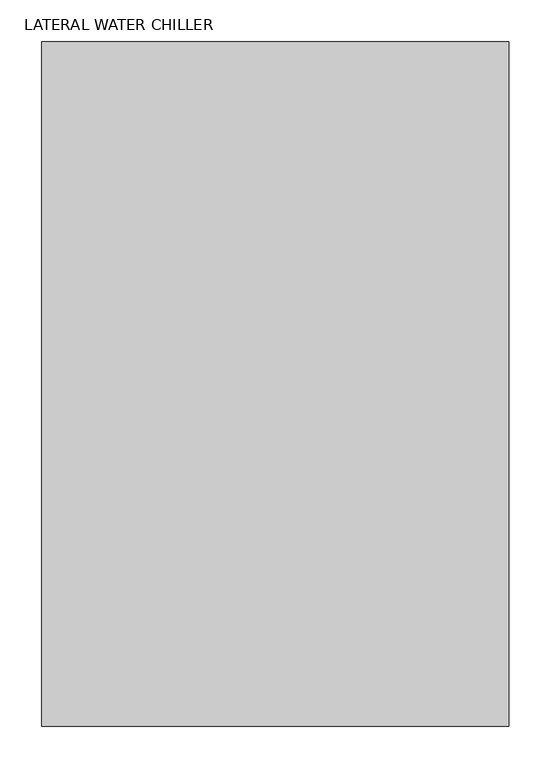
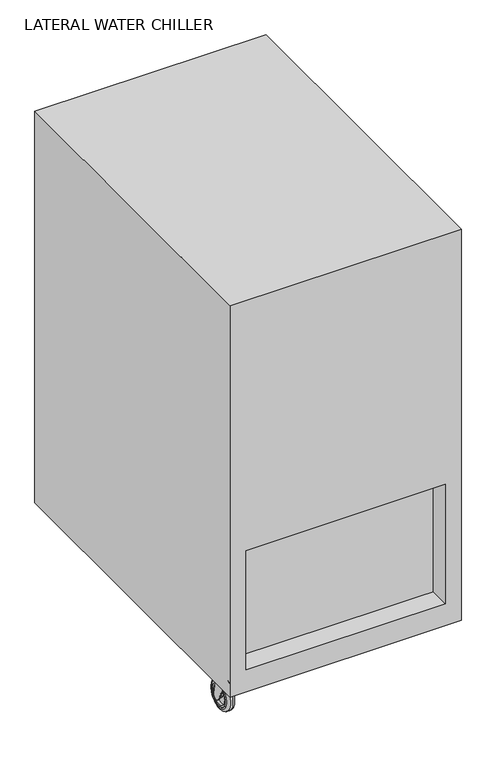
"""IFC4 building model written with IfcOpenShell, lengths in millimetres: proxy geometry, LATERAL WATER CHILLER."""

from ifc_helpers import new_model, si_unit, point, frame, frame_2d, origin, place, context, project, spatial, polyline, circle_curve, ellipse_curve, trimmed, segment, composite_curve, outline, extrude, faceted_brep, source, transform, mapped, element, save
from ifc_brep_helpers import plane_surface, cylinder_surface, revolved_surface, advanced_brep


def lateral_water_chiller_2adea7e7(model_context):
    return source(origin(), model_context, "Body", "SolidModel", [
        advanced_brep(
        [(263.525, -314.3440707, 40.1410714), (263.525, -323.6478147, 82.55), (263.525, -323.6478147, 85.725), (263.525, -355.3978147, 85.725), (263.525, -355.3978147, 82.55), (263.525, -332.2452548, 34.0000428), (260.35, -314.3440707, 40.1410714), (260.35, -332.2452548, 34.0000428), (260.35, -355.3978147, 82.55), (260.35, -323.6478147, 82.55), (260.35, -329.9978147, 38.1), (260.35, -317.2978147, 38.1), (234.95, -317.2978147, 38.1), (234.95, -329.9978147, 38.1), (231.775, -314.3440707, 40.1410714), (231.775, -332.2452548, 34.0000428), (231.775, -355.3978147, 82.55), (231.775, -355.3978147, 85.725), (231.775, -323.6478147, 85.725), (231.775, -323.6478147, 82.55), (234.95, -314.3440707, 40.1410714), (234.95, -323.6478147, 82.55), (234.95, -355.3978147, 82.55), (234.95, -332.2452548, 34.0000428)],
        [
            (0, 1),
            (1, 2),
            (2, 3),
            (3, 4),
            (4, 5),
            (5, 0, circle_curve(frame((263.525, -323.6478147, 38.1), z_axis=(1.0, -3.5037528434145307e-12, 0.0), x_axis=(-3.5037528434145307e-12, -1.0, 0.0)), 9.525)),
            (6, 7, circle_curve(frame((260.35, -323.6478147, 38.1), z_axis=(-1.0, 3.5037528434145307e-12, 0.0), x_axis=(-3.5037528434145307e-12, -1.0, 0.0)), 9.525)),
            (7, 8),
            (8, 9),
            (9, 6),
            (10, 11, circle_curve(frame((260.35, -323.6478147, 38.1), z_axis=(1.0, -3.5037528434145307e-12, 0.0), x_axis=(-3.5037528434145307e-12, -1.0, 0.0)), 6.35)),
            (11, 10, circle_curve(frame((260.35, -323.6478147, 38.1), z_axis=(1.0, -3.5037528434145307e-12, 0.0), x_axis=(-3.5037528434145307e-12, -1.0, 0.0)), 6.35)),
            (0, 6),
            (9, 1),
            (4, 8),
            (7, 5),
            (12, 11),
            (10, 13),
            (13, 12, circle_curve(frame((234.95, -323.6478147, 38.1), z_axis=(1.0, -3.5037528434145307e-12, 0.0), x_axis=(-3.5037528434145307e-12, -1.0, 0.0)), 6.35)),
            (12, 13, circle_curve(frame((234.95, -323.6478147, 38.1), z_axis=(1.0, -3.5037528434145307e-12, 0.0), x_axis=(-3.5037528434145307e-12, -1.0, 0.0)), 6.35)),
            (14, 15, circle_curve(frame((231.775, -323.6478147, 38.1), z_axis=(-1.0, 3.5037528434145307e-12, 0.0), x_axis=(-3.5037528434145307e-12, -1.0, 0.0)), 9.525)),
            (15, 16),
            (16, 17),
            (17, 18),
            (18, 19),
            (19, 14),
            (20, 21),
            (21, 22),
            (22, 23),
            (23, 20, circle_curve(frame((234.95, -323.6478147, 38.1), z_axis=(1.0, -3.5037528434145307e-12, 0.0), x_axis=(-3.5037528434145307e-12, -1.0, 0.0)), 9.525)),
            (14, 20),
            (23, 15),
            (22, 16),
            (19, 21),
            (2, 18),
            (17, 3),
            (21, 9),
            (8, 22),
        ],
        [
            plane_surface(frame((263.525, -323.6478147, 82.55), z_axis=(1.0, -3.5037528434145307e-12, 0.0), x_axis=(0.0, -0.21428571428571286, 0.9767710236555248))),
            plane_surface(frame((260.35, -323.6478147, 82.55), z_axis=(-1.0, 3.5037528434145307e-12, 0.0), x_axis=(0.0, 0.21428571428571286, -0.9767710236555248))),
            plane_surface(frame((263.525, -314.3440707, 40.1410714), z_axis=(3.422472694865991e-12, 0.9767710236555248, 0.21428571428571286), x_axis=(-1.0, 3.5038638657169924e-12, 0.0))),
            plane_surface(frame((263.525, -355.3978147, 82.55), z_axis=(-3.1626519305389665e-12, -0.9026183812343395, -0.4304417008816649), x_axis=(-1.0, 3.5038638657169924e-12, 0.0))),
            cylinder_surface(frame((260.35, -323.6478147, 38.1), z_axis=(1.0, -3.5037528434145307e-12, 0.0), x_axis=(-3.5037528434145307e-12, -1.0, 0.0)), 9.525),
            cylinder_surface(frame((260.35, -323.6478147, 38.1), z_axis=(-1.0, 3.5037528434145307e-12, 0.0), x_axis=(-3.5037528434145307e-12, -1.0, 0.0)), 6.35),
            plane_surface(frame((231.775, -333.1728147, 38.1), z_axis=(-1.0, 3.5037528434145307e-12, 0.0), x_axis=(0.0, 0.0, 1.0))),
            plane_surface(frame((234.95, -333.1728147, 38.1), z_axis=(1.0, -3.5037528434145307e-12, 0.0), x_axis=(0.0, 0.0, -1.0))),
            cylinder_surface(frame((234.95, -323.6478147, 38.1), z_axis=(-1.0, 3.5037528434145307e-12, 0.0), x_axis=(-3.5037528434145307e-12, -1.0, 0.0)), 9.525),
            plane_surface(frame((231.775, -332.2452548, 34.0000428), z_axis=(-3.1626519305389665e-12, -0.9026183812343395, -0.4304417008816649), x_axis=(1.0, -3.5038638657169924e-12, 0.0))),
            plane_surface(frame((231.775, -323.6478147, 82.55), z_axis=(3.422472694865991e-12, 0.9767710236555248, 0.21428571428571286), x_axis=(1.0, -3.5038638657169924e-12, 0.0))),
            plane_surface(frame((263.525, -323.6478147, 85.725), z_axis=(0.0, 0.0, 1.0), x_axis=(3.5037306389540393e-12, 1.0, 0.0))),
            plane_surface(frame((263.525, -323.6478147, 82.55), z_axis=(0.0, 0.0, -1.0), x_axis=(-3.5037306389540393e-12, -1.0, 0.0))),
            plane_surface(frame((263.525, -323.6478147, 85.725), z_axis=(3.5037972523354404e-12, 1.0, 0.0), x_axis=(0.0, 0.0, -1.0))),
            plane_surface(frame((231.775, -355.3978147, 85.725), z_axis=(-3.5037306389539626e-12, -1.0, 0.0), x_axis=(0.0, 0.0, -1.0))),
        ],
        [
            (0, [[1, 2, 3, 4, 5, 6]]),
            (1, [[7, 8, 9, 10], [11, 12]]),
            (2, [[-1, 13, -10, 14]]),
            (3, [[-5, 15, -8, 16]]),
            (4, [[-6, -16, -7, -13]]),
            (5, [[17, -11, 18, 19]]),
            (5, [[-17, 20, -18, -12]]),
            (6, [[21, 22, 23, 24, 25, 26]]),
            (7, [[27, 28, 29, 30], [-19, -20]]),
            (8, [[-21, 31, -30, 32]]),
            (9, [[-22, -32, -29, 33]]),
            (10, [[-26, 34, -27, -31]]),
            (11, [[-3, 35, -24, 36]]),
            (12, [[37, -9, 38, -28]]),
            (13, [[-35, -2, -14, -37, -34, -25]]),
            (14, [[-36, -23, -33, -38, -15, -4]]),
        ],
    ),
        extrude(outline(composite_curve([segment(trimmed(circle_curve(frame_2d((247.65, -339.5228147)), 15.875), [point((247.65, -323.6478147))], [point((247.65, -355.3978147))], False, "CARTESIAN"), True, "CONTINUOUS"), segment(trimmed(circle_curve(frame_2d((247.65, -339.5228147)), 15.875), [point((247.65, -355.3978147))], [point((247.65, -323.6478147))], False, "CARTESIAN"), True, "CONTINUOUS")], self_intersect=False)), frame((0.0, 0.0, 85.725), z_axis=(0.0, 0.0, 1.0), x_axis=(1.0, 0.0, 0.0)), (0.0, 0.0, 1.0), 6.35),
        advanced_brep(
        [(-238.125, -323.6478147, 6.35), (-244.475, -323.6478147, 0.0), (-244.475, -323.6478147, 76.2), (-238.125, -323.6478147, 69.85), (-238.125, -323.6478147, 10.16), (-238.125, -323.6478147, 66.04), (-257.175, -323.6478147, 10.16), (-257.175, -323.6478147, 66.04), (-257.175, -323.6478147, 6.35), (-257.175, -323.6478147, 69.85), (-250.825, -323.6478147, 0.0), (-250.825, -323.6478147, 76.2)],
        [
            (0, 1, circle_curve(frame((-244.475, -323.6478147, 6.35), z_axis=(0.0, 1.0, 0.0), x_axis=(-1.0, 0.0, 0.0)), 6.35)),
            (1, 2, circle_curve(frame((-244.475, -323.6478147, 38.1), z_axis=(1.0, 0.0, 0.0), x_axis=(0.0, 0.0, 1.0)), 38.1)),
            (2, 3, circle_curve(frame((-244.475, -323.6478147, 69.85), z_axis=(0.0, 1.0, 0.0), x_axis=(-1.0, 0.0, 0.0)), 6.35)),
            (3, 0, circle_curve(frame((-238.125, -323.6478147, 38.1), z_axis=(-1.0, 0.0, 0.0), x_axis=(0.0, 0.0, 1.0)), 31.75)),
            (2, 1, circle_curve(frame((-244.475, -323.6478147, 38.1), z_axis=(1.0, 0.0, 0.0), x_axis=(0.0, 0.0, 1.0)), 38.1)),
            (0, 3, circle_curve(frame((-238.125, -323.6478147, 38.1), z_axis=(-1.0, 0.0, 0.0), x_axis=(0.0, 0.0, 1.0)), 31.75)),
            (4, 0),
            (3, 5),
            (5, 4, circle_curve(frame((-238.125, -323.6478147, 38.1), z_axis=(-1.0, 0.0, 0.0), x_axis=(0.0, 0.0, 1.0)), 27.94)),
            (4, 5, circle_curve(frame((-238.125, -323.6478147, 38.1), z_axis=(-1.0, 0.0, 0.0), x_axis=(0.0, 0.0, 1.0)), 27.94)),
            (6, 4),
            (5, 7),
            (7, 6, circle_curve(frame((-257.175, -323.6478147, 38.1), z_axis=(-1.0, 0.0, 0.0), x_axis=(0.0, 0.0, 1.0)), 27.94)),
            (6, 7, circle_curve(frame((-257.175, -323.6478147, 38.1), z_axis=(-1.0, 0.0, 0.0), x_axis=(0.0, 0.0, 1.0)), 27.94)),
            (8, 6),
            (7, 9),
            (9, 8, circle_curve(frame((-257.175, -323.6478147, 38.1), z_axis=(-1.0, 0.0, 0.0), x_axis=(0.0, 0.0, 1.0)), 31.75)),
            (8, 9, circle_curve(frame((-257.175, -323.6478147, 38.1), z_axis=(-1.0, 0.0, 0.0), x_axis=(0.0, 0.0, 1.0)), 31.75)),
            (10, 8, circle_curve(frame((-250.825, -323.6478147, 6.35), z_axis=(0.0, 1.0, 0.0), x_axis=(-1.0, 0.0, 0.0)), 6.35)),
            (9, 11, circle_curve(frame((-250.825, -323.6478147, 69.85), z_axis=(0.0, 1.0, 0.0), x_axis=(-1.0, 0.0, 0.0)), 6.35)),
            (11, 10, circle_curve(frame((-250.825, -323.6478147, 38.1), z_axis=(-1.0, 0.0, 0.0), x_axis=(0.0, 0.0, 1.0)), 38.1)),
            (10, 11, circle_curve(frame((-250.825, -323.6478147, 38.1), z_axis=(-1.0, 0.0, 0.0), x_axis=(0.0, 0.0, 1.0)), 38.1)),
            (1, 10),
            (11, 2),
        ],
        [
            revolved_surface(trimmed(ellipse_curve(frame((-244.475, -323.6478147, 69.85), z_axis=(0.0, 1.0, 0.0), x_axis=(-1.0, 0.0, 0.0)), 6.35, 6.35), [point((-244.475, -323.6478147, 76.2))], [point((-238.125, -323.6478147, 69.85))], True, "CARTESIAN"), (-225.425, -323.6478147, 38.1), (1.0, 0.0, 0.0)),
            plane_surface(frame((-238.125, -323.6478147, 38.1), z_axis=(1.0, 0.0, 0.0), x_axis=(0.0, 0.0, 1.0))),
            revolved_surface(polyline([(-238.125, -323.6478147, 66.04), (-257.175, -323.6478147, 66.04)]), (-225.425, -323.6478147, 38.1), (1.0, 0.0, 0.0)),
            plane_surface(frame((-257.175, -323.6478147, 38.1), z_axis=(-1.0, 0.0, 0.0), x_axis=(0.0, 0.0, 1.0))),
            revolved_surface(trimmed(ellipse_curve(frame((-250.825, -323.6478147, 69.85), z_axis=(0.0, 1.0, 0.0), x_axis=(-1.0, 0.0, 0.0)), 6.35, 6.35), [point((-257.175, -323.6478147, 69.85))], [point((-250.825, -323.6478147, 76.2))], True, "CARTESIAN"), (-225.425, -323.6478147, 38.1), (1.0, 0.0, 0.0)),
            cylinder_surface(frame((-225.425, -323.6478147, 38.1), z_axis=(1.0, 0.0, 0.0), x_axis=(0.0, 0.0, 1.0)), 38.1),
        ],
        [
            (0, [[1, 2, 3, 4]]),
            (0, [[-3, 5, -1, 6]]),
            (1, [[7, -4, 8, 9]]),
            (1, [[-8, -6, -7, 10]]),
            (2, [[11, -9, 12, 13]]),
            (2, [[-12, -10, -11, 14]]),
            (3, [[15, -13, 16, 17]]),
            (3, [[-16, -14, -15, 18]]),
            (4, [[19, -17, 20, 21]]),
            (4, [[-20, -18, -19, 22]]),
            (5, [[23, -21, 24, -2]]),
            (5, [[-24, -22, -23, -5]]),
        ],
    ),
        advanced_brep(
        [(-238.125, -295.7078147, 38.1), (-238.125, -351.5878147, 38.1), (-238.125, -300.7878147, 38.1), (-238.125, -346.5078147, 38.1), (-238.125, -317.2978147, 38.1), (-238.125, -329.9978147, 38.1), (-244.475, -351.5878147, 38.1), (-244.475, -295.7078147, 38.1), (-244.475, -329.9978147, 38.1), (-244.475, -317.2978147, 38.1), (-244.475, -346.5078147, 38.1), (-244.475, -300.7878147, 38.1), (-250.825, -346.5078147, 38.1), (-250.825, -300.7878147, 38.1), (-250.825, -329.9978147, 38.1), (-250.825, -317.2978147, 38.1), (-250.825, -351.5878147, 38.1), (-250.825, -295.7078147, 38.1), (-257.175, -295.7078147, 38.1), (-257.175, -351.5878147, 38.1), (-257.175, -300.7878147, 38.1), (-257.175, -346.5078147, 38.1), (-257.175, -317.2978147, 38.1), (-257.175, -329.9978147, 38.1)],
        [
            (0, 1, circle_curve(frame((-238.125, -323.6478147, 38.1), z_axis=(1.0, 3.5037528434145307e-12, 0.0), x_axis=(3.5037528434145307e-12, -1.0, 0.0)), 27.94)),
            (1, 0, circle_curve(frame((-238.125, -323.6478147, 38.1), z_axis=(1.0, 3.5037528434145307e-12, 0.0), x_axis=(3.5037528434145307e-12, -1.0, 0.0)), 27.94)),
            (2, 3, circle_curve(frame((-238.125, -323.6478147, 38.1), z_axis=(-1.0, -3.5037528434145307e-12, 0.0), x_axis=(3.5037528434145307e-12, -1.0, 0.0)), 22.86)),
            (3, 2, circle_curve(frame((-238.125, -323.6478147, 38.1), z_axis=(-1.0, -3.5037528434145307e-12, 0.0), x_axis=(3.5037528434145307e-12, -1.0, 0.0)), 22.86)),
            (4, 5, circle_curve(frame((-238.125, -323.6478147, 38.1), z_axis=(1.0, 3.5037528434145307e-12, 0.0), x_axis=(3.5037528434145307e-12, -1.0, 0.0)), 6.35)),
            (5, 4, circle_curve(frame((-238.125, -323.6478147, 38.1), z_axis=(1.0, 3.5037528434145307e-12, 0.0), x_axis=(3.5037528434145307e-12, -1.0, 0.0)), 6.35)),
            (1, 6),
            (6, 7, circle_curve(frame((-244.475, -323.6478147, 38.1), z_axis=(1.0, 3.5037528434145307e-12, 0.0), x_axis=(3.5037528434145307e-12, -1.0, 0.0)), 27.94)),
            (7, 0),
            (7, 6, circle_curve(frame((-244.475, -323.6478147, 38.1), z_axis=(1.0, 3.5037528434145307e-12, 0.0), x_axis=(3.5037528434145307e-12, -1.0, 0.0)), 27.94)),
            (5, 8),
            (8, 9, circle_curve(frame((-244.475, -323.6478147, 38.1), z_axis=(1.0, 3.5037528434145307e-12, 0.0), x_axis=(3.5037528434145307e-12, -1.0, 0.0)), 6.35)),
            (9, 4),
            (9, 8, circle_curve(frame((-244.475, -323.6478147, 38.1), z_axis=(1.0, 3.5037528434145307e-12, 0.0), x_axis=(3.5037528434145307e-12, -1.0, 0.0)), 6.35)),
            (3, 10),
            (10, 11, circle_curve(frame((-244.475, -323.6478147, 38.1), z_axis=(-1.0, -3.5037528434145307e-12, 0.0), x_axis=(3.5037528434145307e-12, -1.0, 0.0)), 22.86)),
            (11, 2),
            (11, 10, circle_curve(frame((-244.475, -323.6478147, 38.1), z_axis=(-1.0, -3.5037528434145307e-12, 0.0), x_axis=(3.5037528434145307e-12, -1.0, 0.0)), 22.86)),
            (12, 13, circle_curve(frame((-250.825, -323.6478147, 38.1), z_axis=(-1.0, -3.5037528434145307e-12, 0.0), x_axis=(3.5037528434145307e-12, -1.0, 0.0)), 22.86)),
            (13, 12, circle_curve(frame((-250.825, -323.6478147, 38.1), z_axis=(-1.0, -3.5037528434145307e-12, 0.0), x_axis=(3.5037528434145307e-12, -1.0, 0.0)), 22.86)),
            (14, 15, circle_curve(frame((-250.825, -323.6478147, 38.1), z_axis=(1.0, 3.5037528434145307e-12, 0.0), x_axis=(3.5037528434145307e-12, -1.0, 0.0)), 6.35)),
            (15, 14, circle_curve(frame((-250.825, -323.6478147, 38.1), z_axis=(1.0, 3.5037528434145307e-12, 0.0), x_axis=(3.5037528434145307e-12, -1.0, 0.0)), 6.35)),
            (6, 16),
            (16, 17, circle_curve(frame((-250.825, -323.6478147, 38.1), z_axis=(1.0, 3.5037528434145307e-12, 0.0), x_axis=(3.5037528434145307e-12, -1.0, 0.0)), 27.94)),
            (17, 7),
            (17, 16, circle_curve(frame((-250.825, -323.6478147, 38.1), z_axis=(1.0, 3.5037528434145307e-12, 0.0), x_axis=(3.5037528434145307e-12, -1.0, 0.0)), 27.94)),
            (18, 19, circle_curve(frame((-257.175, -323.6478147, 38.1), z_axis=(-1.0, -3.5037528434145307e-12, 0.0), x_axis=(3.5037528434145307e-12, -1.0, 0.0)), 27.94)),
            (19, 18, circle_curve(frame((-257.175, -323.6478147, 38.1), z_axis=(-1.0, -3.5037528434145307e-12, 0.0), x_axis=(3.5037528434145307e-12, -1.0, 0.0)), 27.94)),
            (20, 21, circle_curve(frame((-257.175, -323.6478147, 38.1), z_axis=(1.0, 3.5037528434145307e-12, 0.0), x_axis=(3.5037528434145307e-12, -1.0, 0.0)), 22.86)),
            (21, 20, circle_curve(frame((-257.175, -323.6478147, 38.1), z_axis=(1.0, 3.5037528434145307e-12, 0.0), x_axis=(3.5037528434145307e-12, -1.0, 0.0)), 22.86)),
            (22, 23, circle_curve(frame((-257.175, -323.6478147, 38.1), z_axis=(-1.0, -3.5037528434145307e-12, 0.0), x_axis=(3.5037528434145307e-12, -1.0, 0.0)), 6.35)),
            (23, 22, circle_curve(frame((-257.175, -323.6478147, 38.1), z_axis=(-1.0, -3.5037528434145307e-12, 0.0), x_axis=(3.5037528434145307e-12, -1.0, 0.0)), 6.35)),
            (19, 16),
            (17, 18),
            (23, 14),
            (15, 22),
            (21, 12),
            (13, 20),
        ],
        [
            plane_surface(frame((-238.125, -351.5878147, 38.1), z_axis=(1.0, 3.5037528434145307e-12, 0.0), x_axis=(0.0, 0.0, 1.0))),
            cylinder_surface(frame((-244.475, -323.6478147, 38.1), z_axis=(1.0, 3.5037528434145307e-12, 0.0), x_axis=(3.5037528434145307e-12, -1.0, 0.0)), 27.94),
            cylinder_surface(frame((-247.65, -323.6478147, 38.1), z_axis=(1.0, 3.5037528434145307e-12, 0.0), x_axis=(3.5037528434145307e-12, -1.0, 0.0)), 6.35),
            revolved_surface(polyline([(-244.475, -346.5078146999889, 38.1), (-238.12499999983982, -346.5078146999667, 38.1)]), (-247.65, -323.6478147, 38.1), (-1.0, -3.5037528434145307e-12, 0.0)),
            plane_surface(frame((-244.475, -351.5878147, 38.1), z_axis=(1.0, 3.5037528434145307e-12, 0.0), x_axis=(0.0, 0.0, 1.0))),
            plane_surface(frame((-250.825, -351.5878147, 38.1), z_axis=(-1.0, -3.5037528434145307e-12, 0.0), x_axis=(0.0, 0.0, -1.0))),
            cylinder_surface(frame((-250.825, -323.6478147, 38.1), z_axis=(1.0, 3.5037528434145307e-12, 0.0), x_axis=(3.5037528434145307e-12, -1.0, 0.0)), 27.94),
            plane_surface(frame((-257.175, -351.5878147, 38.1), z_axis=(-1.0, -3.5037528434145307e-12, 0.0), x_axis=(0.0, 0.0, -1.0))),
            cylinder_surface(frame((-250.825, -323.6478147, 38.1), z_axis=(-1.0, -3.5037528434145307e-12, 0.0), x_axis=(3.5037528434145307e-12, -1.0, 0.0)), 27.94),
            cylinder_surface(frame((-247.65, -323.6478147, 38.1), z_axis=(-1.0, -3.5037528434145307e-12, 0.0), x_axis=(3.5037528434145307e-12, -1.0, 0.0)), 6.35),
            revolved_surface(polyline([(-250.8249999998398, -346.5078147000112, 38.1), (-257.175, -346.5078147000334, 38.1)]), (-247.65, -323.6478147, 38.1), (1.0, 3.5037528434145307e-12, 0.0)),
        ],
        [
            (0, [[1, 2], [3, 4]]),
            (0, [[5, 6]]),
            (1, [[7, 8, 9, -2]]),
            (1, [[-9, 10, -7, -1]]),
            (2, [[11, 12, 13, -6]]),
            (2, [[-13, 14, -11, -5]]),
            (3, [[15, 16, 17, -4]]),
            (3, [[-17, 18, -15, -3]]),
            (4, [[-18, -16], [-14, -12]]),
            (5, [[19, 20], [21, 22]]),
            (6, [[-8, 23, 24, 25]]),
            (6, [[26, -23, -10, -25]]),
            (7, [[27, 28], [29, 30]]),
            (7, [[31, 32]]),
            (8, [[33, -26, 34, -28]]),
            (8, [[-34, -24, -33, -27]]),
            (9, [[35, -22, 36, -32]]),
            (9, [[-36, -21, -35, -31]]),
            (10, [[37, -20, 38, -30]]),
            (10, [[-38, -19, -37, -29]]),
        ],
    ),
        advanced_brep(
        [(-263.525, -314.3440707, 40.1410714), (-263.525, -332.2452548, 34.0000428), (-263.525, -355.3978147, 82.55), (-263.525, -355.3978147, 85.725), (-263.525, -323.6478147, 85.725), (-263.525, -323.6478147, 82.55), (-260.35, -314.3440707, 40.1410714), (-260.35, -323.6478147, 82.55), (-260.35, -355.3978147, 82.55), (-260.35, -332.2452548, 34.0000428), (-260.35, -329.9978147, 38.1), (-260.35, -317.2978147, 38.1), (-234.95, -317.2978147, 38.1), (-234.95, -329.9978147, 38.1), (-231.775, -314.3440707, 40.1410714), (-231.775, -323.6478147, 82.55), (-231.775, -323.6478147, 85.725), (-231.775, -355.3978147, 85.725), (-231.775, -355.3978147, 82.55), (-231.775, -332.2452548, 34.0000428), (-234.95, -314.3440707, 40.1410714), (-234.95, -332.2452548, 34.0000428), (-234.95, -355.3978147, 82.55), (-234.95, -323.6478147, 82.55)],
        [
            (0, 1, circle_curve(frame((-263.525, -323.6478147, 38.1), z_axis=(-1.0, -3.5037528434145307e-12, 0.0), x_axis=(3.5037528434145307e-12, -1.0, 0.0)), 9.525)),
            (1, 2),
            (2, 3),
            (3, 4),
            (4, 5),
            (5, 0),
            (6, 7),
            (7, 8),
            (8, 9),
            (9, 6, circle_curve(frame((-260.35, -323.6478147, 38.1), z_axis=(1.0, 3.5037528434145307e-12, 0.0), x_axis=(3.5037528434145307e-12, -1.0, 0.0)), 9.525)),
            (10, 11, circle_curve(frame((-260.35, -323.6478147, 38.1), z_axis=(-1.0, -3.5037528434145307e-12, 0.0), x_axis=(3.5037528434145307e-12, -1.0, 0.0)), 6.35)),
            (11, 10, circle_curve(frame((-260.35, -323.6478147, 38.1), z_axis=(-1.0, -3.5037528434145307e-12, 0.0), x_axis=(3.5037528434145307e-12, -1.0, 0.0)), 6.35)),
            (5, 7),
            (6, 0),
            (1, 9),
            (8, 2),
            (12, 13, circle_curve(frame((-234.95, -323.6478147, 38.1), z_axis=(-1.0, -3.5037528434145307e-12, 0.0), x_axis=(3.5037528434145307e-12, -1.0, 0.0)), 6.35)),
            (13, 10),
            (11, 12),
            (13, 12, circle_curve(frame((-234.95, -323.6478147, 38.1), z_axis=(-1.0, -3.5037528434145307e-12, 0.0), x_axis=(3.5037528434145307e-12, -1.0, 0.0)), 6.35)),
            (14, 15),
            (15, 16),
            (16, 17),
            (17, 18),
            (18, 19),
            (19, 14, circle_curve(frame((-231.775, -323.6478147, 38.1), z_axis=(1.0, 3.5037528434145307e-12, 0.0), x_axis=(3.5037528434145307e-12, -1.0, 0.0)), 9.525)),
            (20, 21, circle_curve(frame((-234.95, -323.6478147, 38.1), z_axis=(-1.0, -3.5037528434145307e-12, 0.0), x_axis=(3.5037528434145307e-12, -1.0, 0.0)), 9.525)),
            (21, 22),
            (22, 23),
            (23, 20),
            (19, 21),
            (20, 14),
            (18, 22),
            (23, 15),
            (3, 17),
            (16, 4),
            (22, 8),
            (7, 23),
        ],
        [
            plane_surface(frame((-263.525, -323.6478147, 82.55), z_axis=(-1.0, -3.5037528434145307e-12, 0.0), x_axis=(0.0, -0.21428571428571286, 0.9767710236555248))),
            plane_surface(frame((-260.35, -323.6478147, 82.55), z_axis=(1.0, 3.5037528434145307e-12, 0.0), x_axis=(0.0, 0.21428571428571286, -0.9767710236555248))),
            plane_surface(frame((-263.525, -314.3440707, 40.1410714), z_axis=(-3.422472694865991e-12, 0.9767710236555248, 0.21428571428571286), x_axis=(1.0, 3.5038638657169924e-12, 0.0))),
            plane_surface(frame((-263.525, -355.3978147, 82.55), z_axis=(3.1626519305389665e-12, -0.9026183812343395, -0.4304417008816649), x_axis=(1.0, 3.5038638657169924e-12, 0.0))),
            cylinder_surface(frame((-260.35, -323.6478147, 38.1), z_axis=(-1.0, -3.5037528434145307e-12, 0.0), x_axis=(3.5037528434145307e-12, -1.0, 0.0)), 9.525),
            cylinder_surface(frame((-260.35, -323.6478147, 38.1), z_axis=(1.0, 3.5037528434145307e-12, 0.0), x_axis=(3.5037528434145307e-12, -1.0, 0.0)), 6.35),
            plane_surface(frame((-231.775, -333.1728147, 38.1), z_axis=(1.0, 3.5037528434145307e-12, 0.0), x_axis=(0.0, 0.0, 1.0))),
            plane_surface(frame((-234.95, -333.1728147, 38.1), z_axis=(-1.0, -3.5037528434145307e-12, 0.0), x_axis=(0.0, 0.0, -1.0))),
            cylinder_surface(frame((-234.95, -323.6478147, 38.1), z_axis=(1.0, 3.5037528434145307e-12, 0.0), x_axis=(3.5037528434145307e-12, -1.0, 0.0)), 9.525),
            plane_surface(frame((-231.775, -332.2452548, 34.0000428), z_axis=(3.1626519305389665e-12, -0.9026183812343395, -0.4304417008816649), x_axis=(-1.0, -3.5038638657169924e-12, 0.0))),
            plane_surface(frame((-231.775, -323.6478147, 82.55), z_axis=(-3.422472694865991e-12, 0.9767710236555248, 0.21428571428571286), x_axis=(-1.0, -3.5038638657169924e-12, 0.0))),
            plane_surface(frame((-263.525, -323.6478147, 85.725), z_axis=(0.0, 0.0, 1.0), x_axis=(-3.5037306389540393e-12, 1.0, 0.0))),
            plane_surface(frame((-263.525, -323.6478147, 82.55), z_axis=(0.0, 0.0, -1.0), x_axis=(3.5037306389540393e-12, -1.0, 0.0))),
            plane_surface(frame((-263.525, -323.6478147, 85.725), z_axis=(-3.5037972523354404e-12, 1.0, 0.0), x_axis=(0.0, 0.0, -1.0))),
            plane_surface(frame((-231.775, -355.3978147, 85.725), z_axis=(3.5037306389539626e-12, -1.0, 0.0), x_axis=(0.0, 0.0, -1.0))),
        ],
        [
            (0, [[1, 2, 3, 4, 5, 6]]),
            (1, [[7, 8, 9, 10], [11, 12]]),
            (2, [[13, -7, 14, -6]]),
            (3, [[15, -9, 16, -2]]),
            (4, [[-14, -10, -15, -1]]),
            (5, [[17, 18, -12, 19]]),
            (5, [[-11, -18, 20, -19]]),
            (6, [[21, 22, 23, 24, 25, 26]]),
            (7, [[27, 28, 29, 30], [-20, -17]]),
            (8, [[31, -27, 32, -26]]),
            (9, [[33, -28, -31, -25]]),
            (10, [[-32, -30, 34, -21]]),
            (11, [[35, -23, 36, -4]]),
            (12, [[-29, 37, -8, 38]]),
            (13, [[-22, -34, -38, -13, -5, -36]]),
            (14, [[-3, -16, -37, -33, -24, -35]]),
        ],
    ),
        extrude(outline(composite_curve([segment(trimmed(circle_curve(frame_2d((-247.65, -339.5228147)), 15.875), [point((-247.65, -323.6478147))], [point((-247.65, -355.3978147))], False, "CARTESIAN"), True, "CONTINUOUS"), segment(trimmed(circle_curve(frame_2d((-247.65, -339.5228147)), 15.875), [point((-247.65, -355.3978147))], [point((-247.65, -323.6478147))], False, "CARTESIAN"), True, "CONTINUOUS")], self_intersect=False)), frame((0.0, 0.0, 85.725), z_axis=(0.0, 0.0, 1.0), x_axis=(1.0, 0.0, 0.0)), (0.0, 0.0, 1.0), 6.35),
        faceted_brep([(279.4, 408.94, 1092.2), (-279.4, 408.94, 1092.2), (-279.4, -408.94, 1092.2), (279.4, -408.94, 1092.2), (279.4, 408.94, 92.075), (279.4, -408.94, 92.075), (-279.4, -408.94, 92.075), (-279.4, 408.94, 92.075), (241.3, -408.94, 452.9634287), (241.3, -408.94, 148.1634287), (-241.3, -408.94, 148.1634287), (-241.3, -408.94, 452.9634287), (241.3, -358.14, 452.9634287), (-241.3, -358.14, 452.9634287), (-241.3, -358.14, 148.1634287), (241.3, -358.14, 148.1634287)], [[[0, 1, 2, 3]], [[4, 5, 6, 7]], [[1, 0, 4, 7]], [[2, 1, 7, 6]], [[3, 2, 6, 5], [8, 9, 10, 11]], [[0, 3, 5, 4]], [[12, 13, 14, 15]], [[12, 15, 9, 8]], [[15, 14, 10, 9]], [[14, 13, 11, 10]], [[13, 12, 8, 11]]]),
    ])


if __name__ == "__main__":
    model = new_model("IFC4")
    model_context = context("Model", 3, world=origin())
    ifc_project = project(units=[si_unit("LENGTHUNIT", "METRE", prefix="MILLI")], contexts=[model_context])
    site = spatial("IfcSite", under=ifc_project)
    building = spatial("IfcBuilding", under=site)
    placement = place(None, origin())
    lateral_water_chiller_shape = lateral_water_chiller_2adea7e7(model_context)
    element("IfcBuildingElementProxy", 1, Name="LATERAL WATER CHILLER", ObjectType="LATERAL WATER CHILLER", at=placement, inside=building, context=model_context, shape_type="MappedRepresentation", body=[
        mapped(lateral_water_chiller_shape, transform((0.0, 0.0, 0.0), x_axis=(1.0, 0.0, 0.0), y_axis=(0.0, 1.0, 0.0), z_axis=(0.0, 0.0, 1.0))),
    ])
    save(model, "model.ifc")
